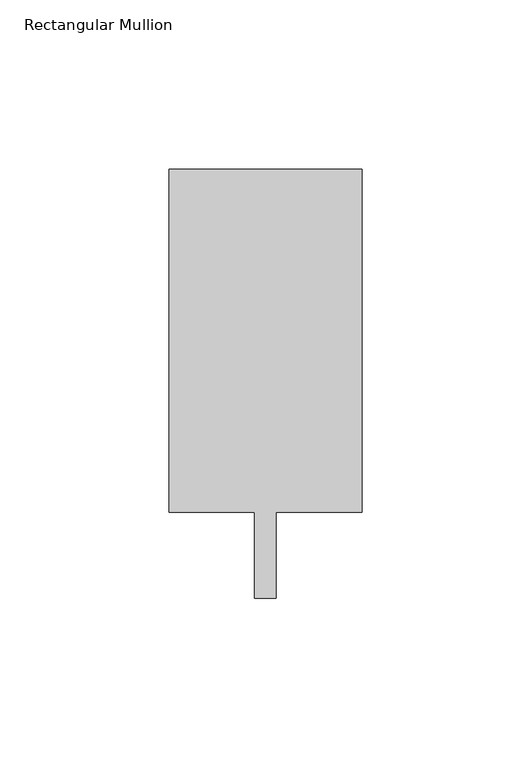
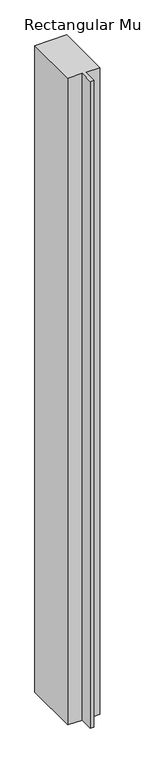
"""IFC4 building model written with IfcOpenShell, lengths in millimetres: member geometry, Rectangular Mullion."""

from ifc_helpers import new_model, si_unit, frame, origin, place, context, project, spatial, polyline, outline, extrude, source, transform, mapped, element, save


def rectangular_mullion_9b3ce142(model_context):
    return source(origin(), model_context, "Body", "SweptSolid", [
        extrude(outline(polyline([(28.575, 114.3), (28.575, 12.7), (3.175, 12.7), (3.175, -12.7), (-3.175, -12.7), (-3.175, 12.7), (-28.575, 12.7), (-28.575, 114.3), (28.575, 114.3)])), frame((0.0, 0.0, -1219.2), z_axis=(0.0, 0.0, 1.0), x_axis=(1.0, 0.0, 0.0)), (0.0, 0.0, 1.0), 1219.2),
    ])


if __name__ == "__main__":
    model = new_model("IFC4")
    model_context = context("Model", 3, world=origin())
    ifc_project = project(units=[si_unit("LENGTHUNIT", "METRE", prefix="MILLI")], contexts=[model_context])
    site = spatial("IfcSite", under=ifc_project)
    building = spatial("IfcBuilding", under=site)
    placement = place(None, origin())
    rectangular_mullion_shape = rectangular_mullion_9b3ce142(model_context)
    element("IfcMember", 1, ObjectType="Rectangular Mullion", at=placement, inside=building, context=model_context, shape_type="MappedRepresentation", body=[
        mapped(rectangular_mullion_shape, transform((0.0, 0.0, 0.0), x_axis=(1.0, 0.0, 0.0), y_axis=(0.0, 1.0, 0.0), z_axis=(0.0, 0.0, 1.0))),
    ])
    save(model, "model.ifc")
